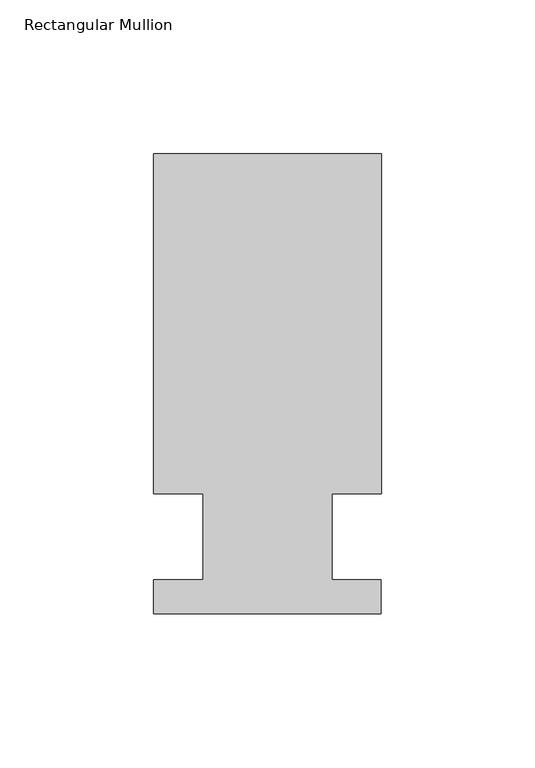
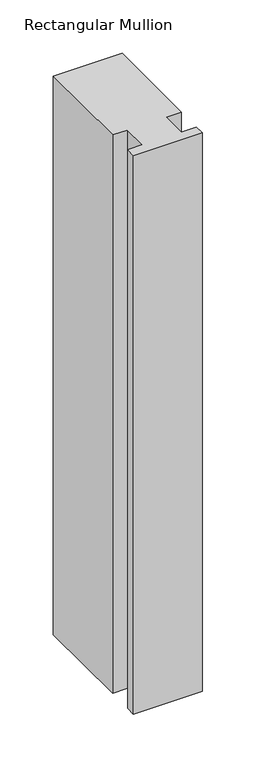
"""IFC4 building model written with IfcOpenShell, lengths in millimetres: member geometry, Rectangular Mullion."""

from ifc_helpers import new_model, si_unit, frame, origin, place, context, project, spatial, polyline, outline, extrude, source, transform, mapped, element, save


def rectangular_mullion_68ebd607(model_context):
    return source(origin(), model_context, "Body", "SweptSolid", [
        extrude(outline(polyline([(-20.9800745, 13.9998907), (-37.0, 13.9998907), (-37.0, 124.5), (37.0, 124.5), (37.0, 13.9998907), (20.9800745, 13.9998907), (20.9800745, -14.0), (36.9800745, -14.0), (36.9800745, -25.0), (-37.0, -25.0), (-37.0, -14.0), (-20.9800745, -14.0), (-20.9800745, 13.9998907)])), frame((0.0, 0.0, -637.636115), z_axis=(0.0, 0.0, 1.0), x_axis=(1.0, 0.0, 0.0)), (0.0, 0.0, 1.0), 637.636115),
    ])


if __name__ == "__main__":
    model = new_model("IFC4")
    model_context = context("Model", 3, world=origin())
    ifc_project = project(units=[si_unit("LENGTHUNIT", "METRE", prefix="MILLI")], contexts=[model_context])
    site = spatial("IfcSite", under=ifc_project)
    building = spatial("IfcBuilding", under=site)
    placement = place(None, origin())
    rectangular_mullion_shape = rectangular_mullion_68ebd607(model_context)
    element("IfcMember", 1, ObjectType="Rectangular Mullion", at=placement, inside=building, context=model_context, shape_type="MappedRepresentation", body=[
        mapped(rectangular_mullion_shape, transform((0.0, 0.0, 0.0), x_axis=(1.0, 0.0, 0.0), y_axis=(0.0, 1.0, 0.0), z_axis=(0.0, 0.0, 1.0))),
    ])
    save(model, "model.ifc")
